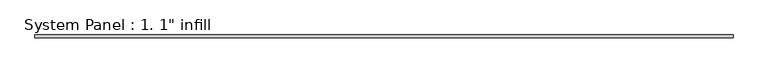
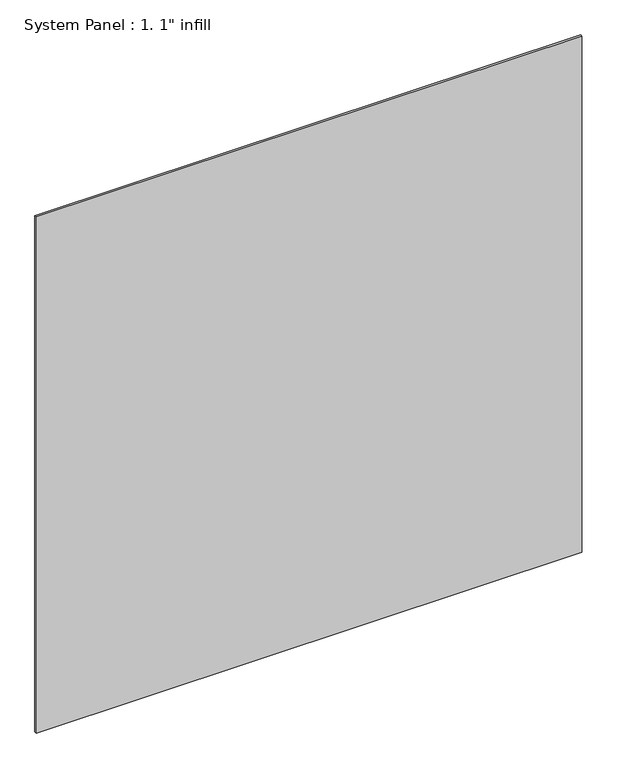
"""IFC4 building model written with IfcOpenShell, lengths in millimetres: plate geometry."""

from ifc_helpers import new_model, si_unit, origin, origin_with_axes, place, context, project, spatial, polyline, outline, extrude, source, transform, mapped, element, save


def plate_b14203db(model_context):
    return source(origin(), model_context, "Body", "SweptSolid", [
        extrude(outline(polyline([(3019.425, -12.7), (-3019.425, -12.7), (-3019.425, 12.7), (3019.425, 12.7), (3019.425, -12.7)])), origin_with_axes(), (0.0, 0.0, 1.0), 6039.7845854),
    ])


if __name__ == "__main__":
    model = new_model("IFC4")
    model_context = context("Model", 3, world=origin())
    ifc_project = project(units=[si_unit("LENGTHUNIT", "METRE", prefix="MILLI")], contexts=[model_context])
    site = spatial("IfcSite", under=ifc_project)
    building = spatial("IfcBuilding", under=site)
    placement = place(None, origin())
    plate_shape = plate_b14203db(model_context)
    element("IfcPlate", 1, ObjectType="System Panel : 1. 1\" infill", at=placement, inside=building, context=model_context, shape_type="MappedRepresentation", body=[
        mapped(plate_shape, transform((0.0, 0.0, 0.0), x_axis=(1.0, 0.0, 0.0), y_axis=(0.0, 1.0, 0.0), z_axis=(0.0, 0.0, 1.0))),
    ])
    save(model, "model.ifc")
